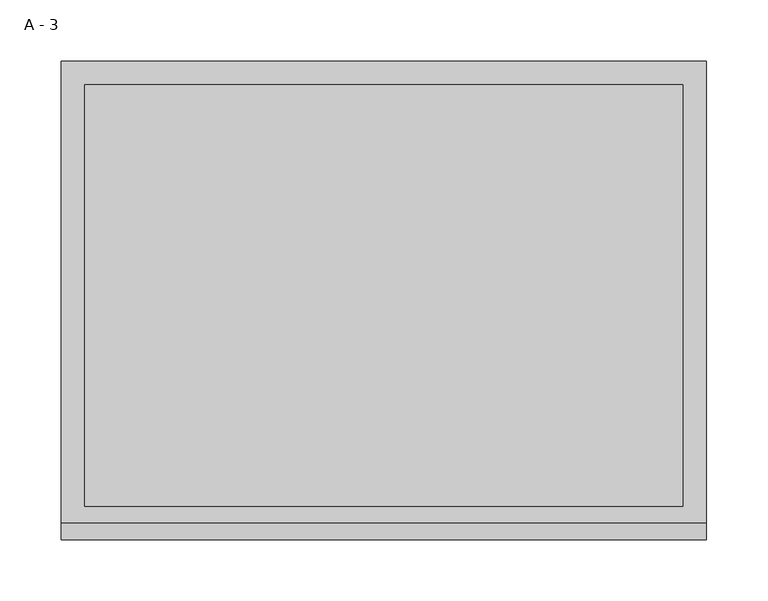
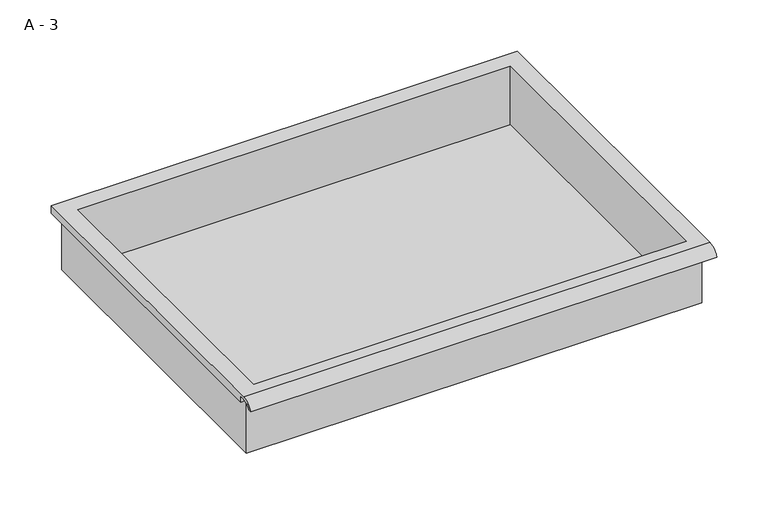
"""IFC4 building model written with IfcOpenShell, lengths in millimetres: furniture geometry, A - 3."""

import ifcopenshell
import ifcopenshell.guid

model = None  # the IFC model being written
_history = None  # IfcOwnerHistory: only IFC2X3 demands one
_inside = {}  # id of a spatial element -> (the spatial element, [elements in it])
_under = {}  # id of a project, library or spatial element -> (it, [spatial elements below it])
_declared = {}  # id of a project -> (the project, [libraries it declares])
_typed = {}  # id of a type object -> (the type object, [elements of that type])
_made_of = {}  # id of a material, layer set ... -> (it, [elements and type objects made of it])


def new_model(schema):
    """Start an empty IFC model of exactly this schema.

    Asked for "IFC4X3", IfcOpenShell would pick the latest addendum, in which some entities
    have other attributes; the version numbers below select the first issue.
    IFC2X3 requires an IfcOwnerHistory on every rooted entity: one is made here for all.
    """
    global model, _history
    if schema == "IFC4X3":
        model = ifcopenshell.file(schema_version=(4, 3, 0, 0))
    else:
        model = ifcopenshell.file(schema=schema)
    _inside.clear()
    _under.clear()
    _declared.clear()
    _typed.clear()
    _made_of.clear()
    _history = None
    if model.schema == "IFC2X3":
        org = make("IfcOrganization", Name="unknown")
        user = make(
            "IfcPersonAndOrganization",
            ThePerson=make("IfcPerson", FamilyName="unknown"),
            TheOrganization=org,
        )
        app = make(
            "IfcApplication",
            ApplicationDeveloper=org,
            Version="unknown",
            ApplicationFullName="unknown",
            ApplicationIdentifier="unknown",
        )
        _history = make(
            "IfcOwnerHistory",
            OwningUser=user,
            OwningApplication=app,
            ChangeAction="ADDED",
            CreationDate=0,
        )
    return model


def make(cls, **values):
    """One entity of the class cls with the attributes given. An attribute that is None is left unset."""
    return model.create_entity(
        cls, **{name: value for name, value in values.items() if value is not None}
    )


def rooted(cls, **values):
    """An entity with a GlobalId (a new one), such as an element, a storey or a relation."""
    return make(cls, GlobalId=ifcopenshell.guid.new(), OwnerHistory=_history, **values)


def si_unit(unit_type, name, prefix=None):
    """IfcSIUnit, for example si_unit("LENGTHUNIT", "METRE", prefix="MILLI")."""
    return make("IfcSIUnit", UnitType=unit_type, Prefix=prefix, Name=name)


def assignment(units):
    """IfcUnitAssignment: the units of a project."""
    return None if units is None else make("IfcUnitAssignment", Units=units)


def point(xyz):
    """IfcCartesianPoint."""
    return None if xyz is None else make("IfcCartesianPoint", Coordinates=xyz)


def direction(xyz):
    """IfcDirection."""
    return None if xyz is None else make("IfcDirection", DirectionRatios=xyz)


def frame(location, z_axis=None, x_axis=None):
    """IfcAxis2Placement3D, a coordinate frame: its origin and axes. An axis left out is left unset."""
    return make(
        "IfcAxis2Placement3D",
        Location=point(location),
        Axis=direction(z_axis),
        RefDirection=direction(x_axis),
    )


def origin():
    """The frame at (0, 0, 0) with its axes left unset."""
    return frame((0.0, 0.0, 0.0))


def place(relative_to, where):
    """IfcLocalPlacement: puts the frame where relative to a parent placement (None: the world)."""
    return make(
        "IfcLocalPlacement", PlacementRelTo=relative_to, RelativePlacement=where
    )


def context(
    kind, dimensions, precision=None, world=None, true_north=None, identifier=None
):
    """IfcGeometricRepresentationContext, for example the 3D "Model" context."""
    return make(
        "IfcGeometricRepresentationContext",
        ContextIdentifier=identifier,
        ContextType=kind,
        CoordinateSpaceDimension=dimensions,
        Precision=precision,
        WorldCoordinateSystem=world,
        TrueNorth=true_north,
    )


def project(units=None, contexts=None):
    """IfcProject with its units and contexts."""
    return rooted(
        "IfcProject",
        Name="project",
        RepresentationContexts=contexts,
        UnitsInContext=assignment(units),
    )


def spatial(cls, under=None, at=None, **own):
    """A site, building, storey or space (cls), placed at a placement, below another one or the project."""
    s = rooted(cls, ObjectPlacement=at, **own)
    if under is not None:
        _under.setdefault(under.id(), (under, []))[1].append(s)
    return s


def polyline(points):
    """IfcPolyline through the points."""
    return make("IfcPolyline", Points=[point(p) for p in points])


def circle_curve(where, radius):
    """IfcCircle in the frame where."""
    return make("IfcCircle", Position=where, Radius=radius)


def shape(context_of_items, identifier, shape_type, items):
    """IfcShapeRepresentation: the items that make up one representation, for example the "Body"."""
    return make(
        "IfcShapeRepresentation",
        ContextOfItems=context_of_items,
        RepresentationIdentifier=identifier,
        RepresentationType=shape_type,
        Items=items,
    )


def source(mapping_origin, context_of_items, identifier, shape_type, items):
    """IfcRepresentationMap: a shape defined once, which mapped items show again and again."""
    return make(
        "IfcRepresentationMap",
        MappingOrigin=mapping_origin,
        MappedRepresentation=shape(context_of_items, identifier, shape_type, items),
    )


def transform(
    local_origin,
    x_axis=None,
    y_axis=None,
    z_axis=None,
    scale=None,
    scale2=None,
    scale3=None,
    uniform=True,
):
    """IfcCartesianTransformationOperator3D, or its non-uniform kind. x_axis, y_axis, z_axis: its Axis1, 2, 3."""
    if uniform:
        return make(
            "IfcCartesianTransformationOperator3D",
            Axis1=direction(x_axis),
            Axis2=direction(y_axis),
            LocalOrigin=point(local_origin),
            Scale=scale,
            Axis3=direction(z_axis),
        )
    return make(
        "IfcCartesianTransformationOperator3DnonUniform",
        Axis1=direction(x_axis),
        Axis2=direction(y_axis),
        LocalOrigin=point(local_origin),
        Scale=scale,
        Axis3=direction(z_axis),
        Scale2=scale2,
        Scale3=scale3,
    )


def mapped(mapping_source, mapping_target):
    """IfcMappedItem: shows the shape of a source again, moved by a transform."""
    return make(
        "IfcMappedItem", MappingSource=mapping_source, MappingTarget=mapping_target
    )


def made_of(thing, what):
    """Note that an element or type object is made of a material, layer set ...; save() writes the relation."""
    if what is not None:
        _made_of.setdefault(what.id(), (what, []))[1].append(thing)
    return thing


def element(
    cls,
    number,
    at=None,
    inside=None,
    cuts=None,
    type_object=None,
    material=None,
    context=None,
    identifier="Body",
    shape_type=None,
    held_by="IfcProductDefinitionShape",
    body=None,
    shapes=None,
    **own,
):
    """One element of the class cls, such as IfcWall. Its Tag is "e" and its number.

    at: its placement. inside: the storey or other place that contains it. cuts: it is an
    opening in that element (IfcRelVoidsElement). A single representation is given by context,
    identifier, shape_type and body (its items); several are given by shapes. held_by: the class
    of the entity that holds the representations. save() writes the other relations.
    """
    e = rooted(cls, Tag="e%d" % number, ObjectPlacement=at, **own)
    if body is not None:
        shapes = [shape(context, identifier, shape_type, body)]
    if shapes is not None:
        e.Representation = make(held_by, Representations=shapes)
    if inside is not None:
        _inside.setdefault(inside.id(), (inside, []))[1].append(e)
    if cuts is not None:
        rooted(
            "IfcRelVoidsElement", RelatingBuildingElement=cuts, RelatedOpeningElement=e
        )
    if type_object is not None:
        _typed.setdefault(type_object.id(), (type_object, []))[1].append(e)
    return made_of(e, material)


def aggregate(whole, parts):
    """IfcRelAggregates: a whole, such as a stair, and the parts it consists of."""
    return rooted("IfcRelAggregates", RelatingObject=whole, RelatedObjects=parts)


def save(model, path):
    """Write the relations noted so far, then the file.

    IfcRelAggregates (storeys below a building ...), IfcRelContainedInSpatialStructure (elements
    in a storey), IfcRelDefinesByType, IfcRelAssociatesMaterial and IfcRelDeclares: one each for
    every whole, place, type object, material and project.
    """
    for whole, parts in _under.values():
        aggregate(whole, parts)
    for where, things in _inside.values():
        rooted(
            "IfcRelContainedInSpatialStructure",
            RelatedElements=things,
            RelatingStructure=where,
        )
    for kind, things in _typed.values():
        rooted("IfcRelDefinesByType", RelatedObjects=things, RelatingType=kind)
    for what, things in _made_of.values():
        rooted("IfcRelAssociatesMaterial", RelatedObjects=things, RelatingMaterial=what)
    for by, libraries in _declared.values():
        rooted("IfcRelDeclares", RelatingContext=by, RelatedDefinitions=libraries)
    model.write(path)


def plane_surface(at):
    """IfcPlane: the flat surface through the origin of the frame at, square to its z axis."""
    return make("IfcPlane", Position=at)


def cylinder_surface(at, radius):
    """IfcCylindricalSurface: all points at the distance radius from the z axis of the frame at."""
    return make("IfcCylindricalSurface", Position=at, Radius=radius)


def revolved_surface(curve, axis_point, axis_direction):
    """IfcSurfaceOfRevolution: the curve turned about the line through axis_point along axis_direction."""
    return make(
        "IfcSurfaceOfRevolution",
        SweptCurve=make("IfcArbitraryOpenProfileDef", ProfileType="CURVE", Curve=curve),
        AxisPosition=make("IfcAxis1Placement", Location=point(axis_point), Axis=direction(axis_direction)),
    )


def advanced_brep(points, edges, surfaces, faces):
    """IfcAdvancedBrep: a solid bounded by faces that lie on surfaces and meet in shared edges.

    An edge is (start, end): straight between two places in points (the first is 0);
    or (start, end, curve); or (start, end, curve, False) where it runs against its curve.
    A face is (place in surfaces, loops), or (place, loops, False) where it looks against
    its surface's normal. A loop lists edges by number (the first is 1), with a minus sign
    where the edge is run from its end to its start. The first loop is the outer one.
    """
    corners = [point(p) for p in points]
    vertices = [make("IfcVertexPoint", VertexGeometry=c) for c in corners]
    made = []
    for start, end, *more in edges:
        made.append(
            make(
                "IfcEdgeCurve",
                EdgeStart=vertices[start],
                EdgeEnd=vertices[end],
                EdgeGeometry=more[0] if more else make("IfcPolyline", Points=[corners[start], corners[end]]),
                SameSense=more[1] if len(more) > 1 else True,
            )
        )
    hull = []
    for where, loops, *sense in faces:
        bounds = []
        for j, loop in enumerate(loops):
            ring = [make("IfcOrientedEdge", EdgeElement=made[abs(k) - 1], Orientation=k > 0) for k in loop]
            bounds.append(
                make(
                    "IfcFaceOuterBound" if j == 0 else "IfcFaceBound",
                    Bound=make("IfcEdgeLoop", EdgeList=ring),
                    Orientation=True,
                )
            )
        hull.append(make("IfcAdvancedFace", Bounds=bounds, FaceSurface=surfaces[where], SameSense=sense[0] if sense else True))
    return make("IfcAdvancedBrep", Outer=make("IfcClosedShell", CfsFaces=hull))


def a_3_73dbfc41(model_context):
    return source(origin(), model_context, "Body", "AdvancedBrep", [
        advanced_brep(
        [(-257.1076517, -176.2125, 876.2111), (257.2423483, -176.2125, 876.2111), (257.2423483, -176.2125, 939.7111), (263.5923483, -176.2125, 939.7111), (263.5923483, -176.2125, 946.0182341), (-263.4576517, -176.2125, 946.0182341), (-263.4576517, -176.2125, 939.7111), (-257.1076517, -176.2125, 939.7111), (257.2423483, 185.7375, 876.2111), (-257.1076517, 185.7375, 876.2111), (-257.1076517, 185.7375, 939.7111), (257.2423483, 185.7375, 939.7111), (263.5923483, -181.6070544, 949.2361), (263.5923483, 195.2625, 949.2361), (-263.4576517, 195.2625, 949.2361), (-263.4576517, -181.6070544, 949.2361), (244.5423483, -168.275, 949.2361), (-244.4076517, -168.275, 949.2361), (-244.4076517, 176.2125, 949.2361), (244.5423483, 176.2125, 949.2361), (263.5923483, -195.2625, 939.7111), (263.5923483, -191.8280601, 939.7111), (263.5923483, -180.4714815, 946.0182341), (263.5923483, 195.2625, 939.7111), (-263.4576517, 195.2625, 939.7111), (-263.4576517, -180.4714815, 946.0182341), (-263.4576517, -191.8280601, 939.7111), (-263.4576517, -195.2625, 939.7111), (-244.4076517, -168.275, 879.2372719), (244.5423483, -168.275, 879.2372719), (244.5423483, 176.2125, 879.2372719), (-244.4076517, 176.2125, 879.2372719)],
        [
            (0, 1),
            (1, 2),
            (2, 3),
            (3, 4),
            (4, 5),
            (5, 6),
            (6, 7),
            (7, 0),
            (8, 9),
            (9, 10),
            (10, 11),
            (11, 8),
            (0, 9),
            (8, 1),
            (11, 2),
            (12, 13),
            (13, 14),
            (14, 15),
            (15, 12),
            (16, 17),
            (17, 18),
            (18, 19),
            (19, 16),
            (7, 10),
            (12, 20, circle_curve(frame((263.5923483, -181.6070544, 934.6850859), z_axis=(1.0, 0.0, 0.0), x_axis=(0.0, 1.0, 0.0)), 14.5510141)),
            (20, 21),
            (21, 22, circle_curve(frame((263.5923483, -181.6070544, 934.6850859), z_axis=(-1.0, 0.0, 0.0), x_axis=(0.0, 1.0, 0.0)), 11.3898979)),
            (22, 4),
            (3, 23),
            (23, 13),
            (14, 24),
            (24, 6),
            (5, 25),
            (25, 26, circle_curve(frame((-263.4576517, -181.6070544, 934.6850859), z_axis=(1.0, 0.0, 0.0), x_axis=(0.0, 1.0, 0.0)), 11.3898979)),
            (26, 27),
            (27, 15, circle_curve(frame((-263.4576517, -181.6070544, 934.6850859), z_axis=(-1.0, 0.0, 0.0), x_axis=(0.0, 1.0, 0.0)), 14.5510141)),
            (27, 20),
            (26, 21),
            (25, 22),
            (24, 23),
            (28, 29),
            (29, 30),
            (30, 31),
            (31, 28),
            (28, 17),
            (16, 29),
            (19, 30),
            (18, 31),
        ],
        [
            plane_surface(frame((257.2423483, -176.2125, 876.2111), z_axis=(0.0, -1.0, 0.0), x_axis=(1.0, 0.0, 0.0))),
            plane_surface(frame((257.2423483, 185.7375, 876.2111), z_axis=(0.0, 1.0, 0.0), x_axis=(-1.0, 0.0, 0.0))),
            plane_surface(frame((-257.1076517, -176.2125, 876.2111), z_axis=(0.0, 0.0, -1.0), x_axis=(0.0, 1.0, 0.0))),
            plane_surface(frame((257.2423483, -176.2125, 876.2111), z_axis=(1.0, 0.0, 0.0), x_axis=(0.0, 1.0, 0.0))),
            plane_surface(frame((257.2423483, -176.2125, 949.2361), z_axis=(0.0, 0.0, 1.0), x_axis=(0.0, 1.0, 0.0))),
            plane_surface(frame((-257.1076517, -176.2125, 949.2361), z_axis=(-1.0, 0.0, 0.0), x_axis=(0.0, 1.0, 0.0))),
            plane_surface(frame((263.5923483, 195.2625, 949.2361), z_axis=(1.0, 0.0, 0.0), x_axis=(0.0, -1.0, 0.0))),
            plane_surface(frame((-263.4576517, 195.2625, 949.2361), z_axis=(-1.0, 0.0, 0.0), x_axis=(0.0, 1.0, 0.0))),
            cylinder_surface(frame((-263.4576517, -181.6070544, 934.6850859), z_axis=(1.0, 0.0, 0.0), x_axis=(0.0, 1.0, 0.0)), 14.5510141),
            plane_surface(frame((263.5923483, -195.2625, 939.7111), z_axis=(0.0, -7.330645323407432e-12, -1.0), x_axis=(-1.0, 0.0, 0.0))),
            revolved_surface(polyline([(-263.4576517, -170.21715650000002, 934.6850859), (263.59234829999997, -170.21715650000002, 934.6850859)]), (-263.4576517, -181.6070544, 934.6850859), (-1.0, 0.0, 0.0)),
            plane_surface(frame((263.5923483, -180.4714815, 946.0182341), z_axis=(0.0, -1.8115665214558343e-11, -1.0), x_axis=(-1.0, 0.0, 0.0))),
            plane_surface(frame((263.5923483, -176.2125, 939.7111), z_axis=(0.0, 0.0, -1.0), x_axis=(-1.0, 0.0, 0.0))),
            plane_surface(frame((263.5923483, 195.2625, 939.7111), z_axis=(0.0, 1.0, 0.0), x_axis=(-1.0, 0.0, 0.0))),
            plane_surface(frame((244.5423483, -168.275, 879.2372719), z_axis=(0.0, 0.0, 1.0), x_axis=(-1.0, 0.0, 0.0))),
            plane_surface(frame((-244.4076517, -168.275, 949.2361), z_axis=(0.0, 1.0, 0.0), x_axis=(0.0, 0.0, -1.0))),
            plane_surface(frame((244.5423483, -168.275, 949.2361), z_axis=(-1.0, 0.0, 0.0), x_axis=(0.0, 0.0, -1.0))),
            plane_surface(frame((244.5423483, 176.2125, 949.2361), z_axis=(0.0, -1.0, 0.0), x_axis=(0.0, 0.0, -1.0))),
            plane_surface(frame((-244.4076517, 176.2125, 949.2361), z_axis=(1.0, 0.0, 0.0), x_axis=(0.0, 0.0, -1.0))),
        ],
        [
            (0, [[1, 2, 3, 4, 5, 6, 7, 8]]),
            (1, [[9, 10, 11, 12]]),
            (2, [[-1, 13, -9, 14]]),
            (3, [[-14, -12, 15, -2]]),
            (4, [[16, 17, 18, 19], [20, 21, 22, 23]]),
            (5, [[-13, -8, 24, -10]]),
            (6, [[-16, 25, 26, 27, 28, -4, 29, 30]]),
            (7, [[31, 32, -6, 33, 34, 35, 36, -18]]),
            (8, [[-25, -19, -36, 37]]),
            (9, [[-26, -37, -35, 38]]),
            (10, [[-27, -38, -34, 39]]),
            (11, [[-28, -39, -33, -5]]),
            (12, [[-29, -3, -15, -11, -24, -7, -32, 40]]),
            (13, [[-30, -40, -31, -17]]),
            (14, [[41, 42, 43, 44]]),
            (15, [[-41, 45, -20, 46]]),
            (16, [[-42, -46, -23, 47]]),
            (17, [[-43, -47, -22, 48]]),
            (18, [[-44, -48, -21, -45]]),
        ],
    ),
    ])


if __name__ == "__main__":
    model = new_model("IFC4")
    model_context = context("Model", 3, world=origin())
    ifc_project = project(units=[si_unit("LENGTHUNIT", "METRE", prefix="MILLI")], contexts=[model_context])
    site = spatial("IfcSite", under=ifc_project)
    building = spatial("IfcBuilding", under=site)
    placement = place(None, origin())
    a_3_shape = a_3_73dbfc41(model_context)
    element("IfcFurniture", 1, ObjectType="A - 3", at=placement, inside=building, context=model_context, shape_type="MappedRepresentation", body=[
        mapped(a_3_shape, transform((0.0, 0.0, 0.0), x_axis=(1.0, 0.0, 0.0), y_axis=(0.0, 1.0, 0.0), z_axis=(0.0, 0.0, 1.0))),
    ])
    save(model, "model.ifc")
